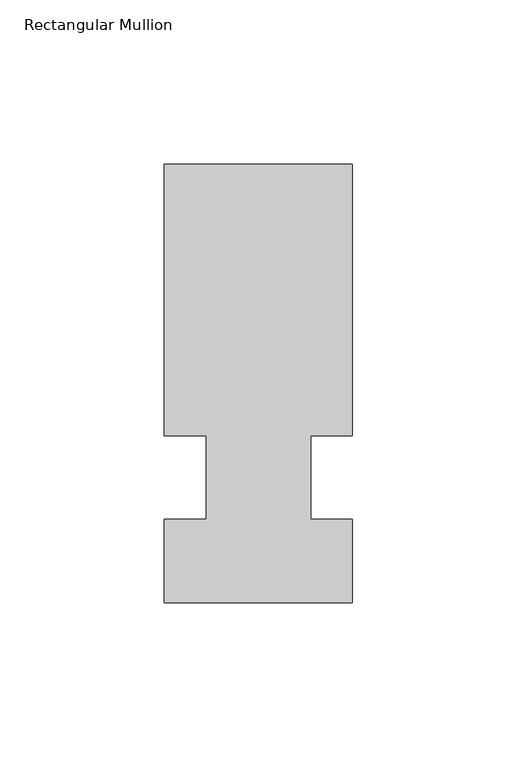
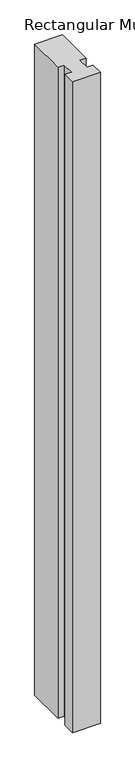
"""IFC4 building model written with IfcOpenShell, lengths in millimetres: member geometry, Rectangular Mullion."""

from ifc_helpers import new_model, si_unit, frame, origin, place, context, project, spatial, polyline, outline, extrude, source, transform, mapped, element, save


def rectangular_mullion_99f3117e(model_context):
    return source(origin(), model_context, "Body", "SweptSolid", [
        extrude(outline(polyline([(32.9094027, 95.25), (32.9094027, 12.7), (20.2076322, 12.7), (20.2076322, -12.7), (32.9094027, -12.7), (32.9094027, -38.1), (-24.2405973, -38.1), (-24.2405973, -12.7), (-11.5405973, -12.7), (-11.5405973, 12.7), (-24.2405973, 12.7), (-24.2405973, 95.25), (32.9094027, 95.25)])), frame((0.0, 0.0, -1407.482264), z_axis=(0.0, 0.0, 1.0), x_axis=(1.0, 0.0, 0.0)), (0.0, 0.0, 1.0), 1407.482264),
    ])


if __name__ == "__main__":
    model = new_model("IFC4")
    model_context = context("Model", 3, world=origin())
    ifc_project = project(units=[si_unit("LENGTHUNIT", "METRE", prefix="MILLI")], contexts=[model_context])
    site = spatial("IfcSite", under=ifc_project)
    building = spatial("IfcBuilding", under=site)
    placement = place(None, origin())
    rectangular_mullion_shape = rectangular_mullion_99f3117e(model_context)
    element("IfcMember", 1, ObjectType="Rectangular Mullion", at=placement, inside=building, context=model_context, shape_type="MappedRepresentation", body=[
        mapped(rectangular_mullion_shape, transform((0.0, 0.0, 0.0), x_axis=(1.0, 0.0, 0.0), y_axis=(0.0, 1.0, 0.0), z_axis=(0.0, 0.0, 1.0))),
    ])
    save(model, "model.ifc")
